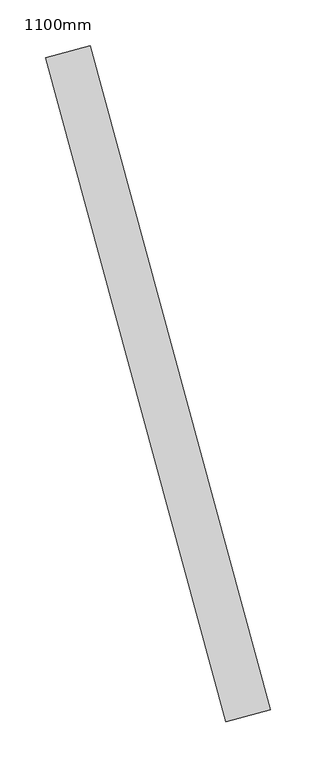
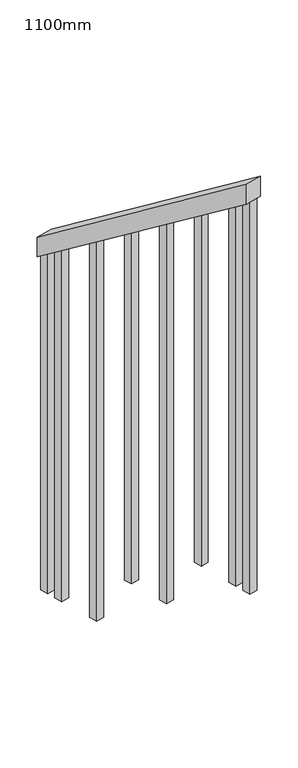
"""IFC4 building model written with IfcOpenShell, lengths in millimetres: railing geometry, 1100mm."""

from ifc_helpers import new_model, si_unit, frame, origin, place, context, project, spatial, polyline, outline, extrude, source, transform, mapped, element, save


def railing_1100mm_cc16d1da(model_context):
    return source(origin(), model_context, "Body", "SweptSolid", [
        extrude(outline(polyline([(35.5555555, -50.0), (0.0, 0.0), (920.2958462, 0.0), (955.8514017, -49.9999999), (35.5555555, -50.0)])), frame((60892.6268292, 7325.3504813, 1216.4247214), z_axis=(0.964989412360187, 0.2622888370341775, 0.0), x_axis=(0.21375368431594208, -0.7864232597553813, 0.5795237863600429)), (0.0, 0.0, 1.0), 50.0),
        extrude(outline(polyline([(1271.980277, 25.0), (1271.980277, 0.0), (91.1111112, 0.0), (108.8888889, 25.0), (1271.980277, 25.0)])), frame((61088.2913828, 6653.1365031, 1805.3136103), z_axis=(0.964989412360187, 0.26228883703417755, 0.0), x_axis=(0.0, 0.0, -1.0)), (0.0, 0.0, 1.0), 25.0),
        extrude(outline(polyline([(1183.0913881, 25.0), (1183.0913881, 0.0), (91.1111111, 0.0), (108.8888889, 25.0), (1183.0913881, 25.0)])), frame((61055.5052781, 6773.7601797, 1716.4247214), z_axis=(0.964989412360187, 0.26228883703417755, 0.0), x_axis=(0.0, 0.0, -1.0)), (0.0, 0.0, 1.0), 25.0),
        extrude(outline(polyline([(1271.9802769, 25.0), (1271.9802769, 0.0), (91.1111111, 0.0), (108.8888889, 25.0), (1271.9802769, 25.0)])), frame((61022.7191735, 6894.3838562, 1627.5358325), z_axis=(0.964989412360187, 0.26228883703417755, 0.0), x_axis=(0.0, 0.0, -1.0)), (0.0, 0.0, 1.0), 25.0),
        extrude(outline(polyline([(1183.091388, 25.0000001), (1183.091388, 0.0), (91.1111111, 0.0), (108.8888889, 25.0000001), (1183.091388, 25.0000001)])), frame((60989.9330689, 7015.0075327, 1538.6469436), z_axis=(0.964989412360187, 0.26228883703417755, 0.0), x_axis=(0.0, 0.0, -1.0)), (0.0, 0.0, 1.0), 25.0),
        extrude(outline(polyline([(1271.9802769, 25.0), (1271.9802769, 0.0), (91.1111111, 0.0), (108.8888889, 25.0), (1271.9802769, 25.0)])), frame((60957.1469643, 7135.6312093, 1449.7580547), z_axis=(0.964989412360187, 0.26228883703417755, 0.0), x_axis=(0.0, 0.0, -1.0)), (0.0, 0.0, 1.0), 25.0),
        extrude(outline(polyline([(1183.091388, 25.0), (1183.091388, 0.0), (91.1111111, 0.0), (108.8888889, 25.0), (1183.091388, 25.0)])), frame((60924.3608596, 7256.2548858, 1360.8691658), z_axis=(0.964989412360187, 0.26228883703417755, 0.0), x_axis=(0.0, 0.0, -1.0)), (0.0, 0.0, 1.0), 25.0),
        extrude(outline(polyline([(1307.5358325, 25.0), (1307.5358325, 0.0), (91.1111111, 0.0), (108.8888889, 25.0), (1307.5358325, 25.0)])), frame((61101.4058246, 6604.8870325, 1840.8691658), z_axis=(0.964989412360187, 0.26228883703417755, 0.0), x_axis=(0.0, 0.0, -1.0)), (0.0, 0.0, 1.0), 25.0),
        extrude(outline(polyline([(1147.5358325, 25.0), (1147.5358325, 0.0), (91.1111112, 0.0), (108.8888889, 25.0), (1147.5358325, 25.0)])), frame((60911.2464178, 7304.5043565, 1325.3136103), z_axis=(0.964989412360187, 0.26228883703417755, 0.0), x_axis=(0.0, 0.0, -1.0)), (0.0, 0.0, 1.0), 25.0),
    ])


if __name__ == "__main__":
    model = new_model("IFC4")
    model_context = context("Model", 3, world=origin())
    ifc_project = project(units=[si_unit("LENGTHUNIT", "METRE", prefix="MILLI")], contexts=[model_context])
    site = spatial("IfcSite", under=ifc_project)
    building = spatial("IfcBuilding", under=site)
    placement = place(None, origin())
    railing_1100mm_shape = railing_1100mm_cc16d1da(model_context)
    element("IfcRailing", 1, ObjectType="1100mm", at=placement, inside=building, context=model_context, shape_type="MappedRepresentation", body=[
        mapped(railing_1100mm_shape, transform((0.0, 0.0, 0.0), x_axis=(1.0, 0.0, 0.0), y_axis=(0.0, 1.0, 0.0), z_axis=(0.0, 0.0, 1.0))),
    ])
    save(model, "model.ifc")
